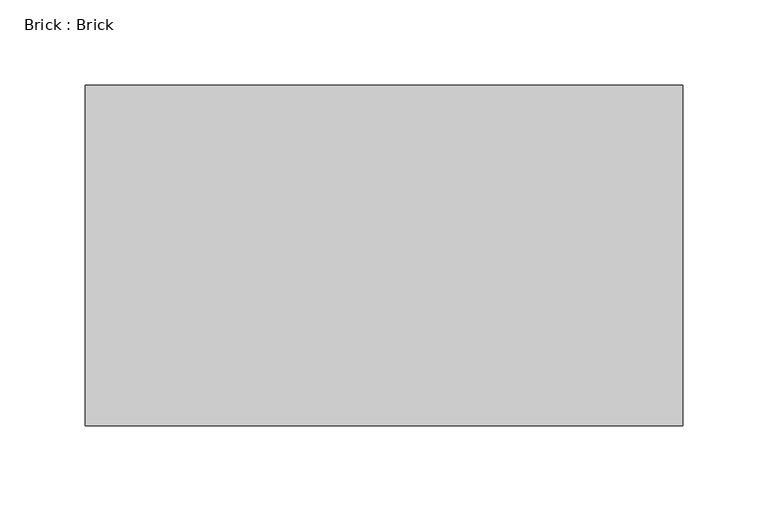
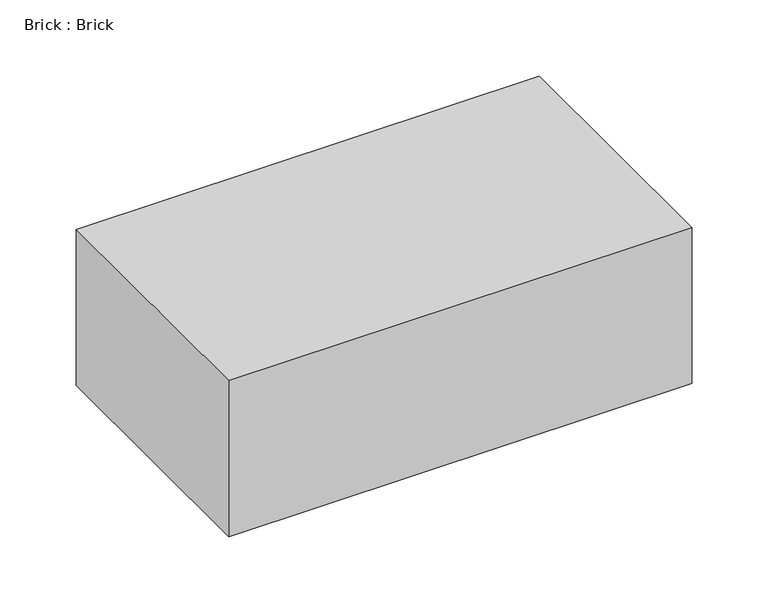
"""IFC4 building model written with IfcOpenShell, lengths in millimetres: proxy geometry, Brick : Brick."""

import ifcopenshell
import ifcopenshell.guid

model = None  # the IFC model being written
_history = None  # IfcOwnerHistory: only IFC2X3 demands one
_inside = {}  # id of a spatial element -> (the spatial element, [elements in it])
_under = {}  # id of a project, library or spatial element -> (it, [spatial elements below it])
_declared = {}  # id of a project -> (the project, [libraries it declares])
_typed = {}  # id of a type object -> (the type object, [elements of that type])
_made_of = {}  # id of a material, layer set ... -> (it, [elements and type objects made of it])


def new_model(schema):
    """Start an empty IFC model of exactly this schema.

    Asked for "IFC4X3", IfcOpenShell would pick the latest addendum, in which some entities
    have other attributes; the version numbers below select the first issue.
    IFC2X3 requires an IfcOwnerHistory on every rooted entity: one is made here for all.
    """
    global model, _history
    if schema == "IFC4X3":
        model = ifcopenshell.file(schema_version=(4, 3, 0, 0))
    else:
        model = ifcopenshell.file(schema=schema)
    _inside.clear()
    _under.clear()
    _declared.clear()
    _typed.clear()
    _made_of.clear()
    _history = None
    if model.schema == "IFC2X3":
        org = make("IfcOrganization", Name="unknown")
        user = make(
            "IfcPersonAndOrganization",
            ThePerson=make("IfcPerson", FamilyName="unknown"),
            TheOrganization=org,
        )
        app = make(
            "IfcApplication",
            ApplicationDeveloper=org,
            Version="unknown",
            ApplicationFullName="unknown",
            ApplicationIdentifier="unknown",
        )
        _history = make(
            "IfcOwnerHistory",
            OwningUser=user,
            OwningApplication=app,
            ChangeAction="ADDED",
            CreationDate=0,
        )
    return model


def make(cls, **values):
    """One entity of the class cls with the attributes given. An attribute that is None is left unset."""
    return model.create_entity(
        cls, **{name: value for name, value in values.items() if value is not None}
    )


def rooted(cls, **values):
    """An entity with a GlobalId (a new one), such as an element, a storey or a relation."""
    return make(cls, GlobalId=ifcopenshell.guid.new(), OwnerHistory=_history, **values)


def si_unit(unit_type, name, prefix=None):
    """IfcSIUnit, for example si_unit("LENGTHUNIT", "METRE", prefix="MILLI")."""
    return make("IfcSIUnit", UnitType=unit_type, Prefix=prefix, Name=name)


def assignment(units):
    """IfcUnitAssignment: the units of a project."""
    return None if units is None else make("IfcUnitAssignment", Units=units)


def point(xyz):
    """IfcCartesianPoint."""
    return None if xyz is None else make("IfcCartesianPoint", Coordinates=xyz)


def direction(xyz):
    """IfcDirection."""
    return None if xyz is None else make("IfcDirection", DirectionRatios=xyz)


def frame(location, z_axis=None, x_axis=None):
    """IfcAxis2Placement3D, a coordinate frame: its origin and axes. An axis left out is left unset."""
    return make(
        "IfcAxis2Placement3D",
        Location=point(location),
        Axis=direction(z_axis),
        RefDirection=direction(x_axis),
    )


def origin():
    """The frame at (0, 0, 0) with its axes left unset."""
    return frame((0.0, 0.0, 0.0))


def place(relative_to, where):
    """IfcLocalPlacement: puts the frame where relative to a parent placement (None: the world)."""
    return make(
        "IfcLocalPlacement", PlacementRelTo=relative_to, RelativePlacement=where
    )


def context(
    kind, dimensions, precision=None, world=None, true_north=None, identifier=None
):
    """IfcGeometricRepresentationContext, for example the 3D "Model" context."""
    return make(
        "IfcGeometricRepresentationContext",
        ContextIdentifier=identifier,
        ContextType=kind,
        CoordinateSpaceDimension=dimensions,
        Precision=precision,
        WorldCoordinateSystem=world,
        TrueNorth=true_north,
    )


def project(units=None, contexts=None):
    """IfcProject with its units and contexts."""
    return rooted(
        "IfcProject",
        Name="project",
        RepresentationContexts=contexts,
        UnitsInContext=assignment(units),
    )


def spatial(cls, under=None, at=None, **own):
    """A site, building, storey or space (cls), placed at a placement, below another one or the project."""
    s = rooted(cls, ObjectPlacement=at, **own)
    if under is not None:
        _under.setdefault(under.id(), (under, []))[1].append(s)
    return s


def polyline(points):
    """IfcPolyline through the points."""
    return make("IfcPolyline", Points=[point(p) for p in points])


def outline(outer, holes=None, kind="AREA"):
    """IfcArbitraryClosedProfileDef: a profile drawn as a closed curve; with holes, ...WithVoids."""
    if holes is None:
        return make("IfcArbitraryClosedProfileDef", ProfileType=kind, OuterCurve=outer)
    return make(
        "IfcArbitraryProfileDefWithVoids",
        ProfileType=kind,
        OuterCurve=outer,
        InnerCurves=holes,
    )


def extrude(swept, where, along, depth):
    """IfcExtrudedAreaSolid: the profile swept, set in the frame where, extruded along a direction by depth."""
    return make(
        "IfcExtrudedAreaSolid",
        SweptArea=swept,
        Position=where,
        ExtrudedDirection=direction(along),
        Depth=depth,
    )


def shape(context_of_items, identifier, shape_type, items):
    """IfcShapeRepresentation: the items that make up one representation, for example the "Body"."""
    return make(
        "IfcShapeRepresentation",
        ContextOfItems=context_of_items,
        RepresentationIdentifier=identifier,
        RepresentationType=shape_type,
        Items=items,
    )


def source(mapping_origin, context_of_items, identifier, shape_type, items):
    """IfcRepresentationMap: a shape defined once, which mapped items show again and again."""
    return make(
        "IfcRepresentationMap",
        MappingOrigin=mapping_origin,
        MappedRepresentation=shape(context_of_items, identifier, shape_type, items),
    )


def transform(
    local_origin,
    x_axis=None,
    y_axis=None,
    z_axis=None,
    scale=None,
    scale2=None,
    scale3=None,
    uniform=True,
):
    """IfcCartesianTransformationOperator3D, or its non-uniform kind. x_axis, y_axis, z_axis: its Axis1, 2, 3."""
    if uniform:
        return make(
            "IfcCartesianTransformationOperator3D",
            Axis1=direction(x_axis),
            Axis2=direction(y_axis),
            LocalOrigin=point(local_origin),
            Scale=scale,
            Axis3=direction(z_axis),
        )
    return make(
        "IfcCartesianTransformationOperator3DnonUniform",
        Axis1=direction(x_axis),
        Axis2=direction(y_axis),
        LocalOrigin=point(local_origin),
        Scale=scale,
        Axis3=direction(z_axis),
        Scale2=scale2,
        Scale3=scale3,
    )


def mapped(mapping_source, mapping_target):
    """IfcMappedItem: shows the shape of a source again, moved by a transform."""
    return make(
        "IfcMappedItem", MappingSource=mapping_source, MappingTarget=mapping_target
    )


def made_of(thing, what):
    """Note that an element or type object is made of a material, layer set ...; save() writes the relation."""
    if what is not None:
        _made_of.setdefault(what.id(), (what, []))[1].append(thing)
    return thing


def element(
    cls,
    number,
    at=None,
    inside=None,
    cuts=None,
    type_object=None,
    material=None,
    context=None,
    identifier="Body",
    shape_type=None,
    held_by="IfcProductDefinitionShape",
    body=None,
    shapes=None,
    **own,
):
    """One element of the class cls, such as IfcWall. Its Tag is "e" and its number.

    at: its placement. inside: the storey or other place that contains it. cuts: it is an
    opening in that element (IfcRelVoidsElement). A single representation is given by context,
    identifier, shape_type and body (its items); several are given by shapes. held_by: the class
    of the entity that holds the representations. save() writes the other relations.
    """
    e = rooted(cls, Tag="e%d" % number, ObjectPlacement=at, **own)
    if body is not None:
        shapes = [shape(context, identifier, shape_type, body)]
    if shapes is not None:
        e.Representation = make(held_by, Representations=shapes)
    if inside is not None:
        _inside.setdefault(inside.id(), (inside, []))[1].append(e)
    if cuts is not None:
        rooted(
            "IfcRelVoidsElement", RelatingBuildingElement=cuts, RelatedOpeningElement=e
        )
    if type_object is not None:
        _typed.setdefault(type_object.id(), (type_object, []))[1].append(e)
    return made_of(e, material)


def aggregate(whole, parts):
    """IfcRelAggregates: a whole, such as a stair, and the parts it consists of."""
    return rooted("IfcRelAggregates", RelatingObject=whole, RelatedObjects=parts)


def save(model, path):
    """Write the relations noted so far, then the file.

    IfcRelAggregates (storeys below a building ...), IfcRelContainedInSpatialStructure (elements
    in a storey), IfcRelDefinesByType, IfcRelAssociatesMaterial and IfcRelDeclares: one each for
    every whole, place, type object, material and project.
    """
    for whole, parts in _under.values():
        aggregate(whole, parts)
    for where, things in _inside.values():
        rooted(
            "IfcRelContainedInSpatialStructure",
            RelatedElements=things,
            RelatingStructure=where,
        )
    for kind, things in _typed.values():
        rooted("IfcRelDefinesByType", RelatedObjects=things, RelatingType=kind)
    for what, things in _made_of.values():
        rooted("IfcRelAssociatesMaterial", RelatedObjects=things, RelatingMaterial=what)
    for by, libraries in _declared.values():
        rooted("IfcRelDeclares", RelatingContext=by, RelatedDefinitions=libraries)
    model.write(path)


def brick_brick_f0409bb0(model_context):
    return source(origin(), model_context, "Body", "SweptSolid", [
        extrude(outline(polyline([(175.5, 100.0), (175.5, -100.0), (-175.5, -100.0), (-175.5, 100.0), (175.5, 100.0)])), frame((0.0, 0.0, -62.5), z_axis=(0.0, 0.0, 1.0), x_axis=(1.0, 0.0, 0.0)), (0.0, 0.0, 1.0), 125.0),
    ])


if __name__ == "__main__":
    model = new_model("IFC4")
    model_context = context("Model", 3, world=origin())
    ifc_project = project(units=[si_unit("LENGTHUNIT", "METRE", prefix="MILLI")], contexts=[model_context])
    site = spatial("IfcSite", under=ifc_project)
    building = spatial("IfcBuilding", under=site)
    placement = place(None, origin())
    brick_brick_shape = brick_brick_f0409bb0(model_context)
    element("IfcBuildingElementProxy", 1, Name="Brick : Brick", ObjectType="Brick : Brick", at=placement, inside=building, context=model_context, shape_type="MappedRepresentation", body=[
        mapped(brick_brick_shape, transform((0.0, 0.0, 0.0), x_axis=(1.0, 0.0, 0.0), y_axis=(0.0, 1.0, 0.0), z_axis=(0.0, 0.0, 1.0))),
    ])
    save(model, "model.ifc")
